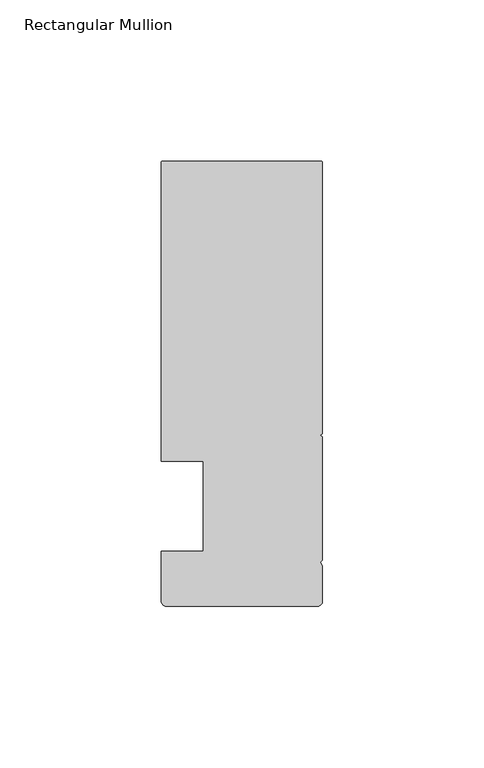
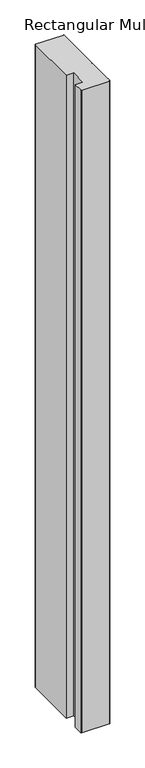
"""IFC4 building model written with IfcOpenShell, lengths in millimetres: member geometry, Rectangular Mullion."""

from ifc_helpers import new_model, si_unit, point, frame, frame_2d, origin, place, context, project, spatial, polyline, circle_curve, trimmed, segment, composite_curve, outline, extrude, source, transform, mapped, element, save


def rectangular_mullion_b0bd3f5d(model_context):
    return source(origin(), model_context, "Body", "SweptSolid", [
        extrude(outline(composite_curve([segment(trimmed(circle_curve(frame_2d((-49.5, 106.500001)), 0.5), [point((-50.0, 106.500001))], [point((-49.5, 107.000001))], False, "CARTESIAN"), True, "CONTINUOUS"), segment(polyline([(-49.5, 107.000001), (-0.5, 107.000001)]), True, "CONTINUOUS"), segment(trimmed(circle_curve(frame_2d((-0.5, 106.500001)), 0.5), [point((-0.5, 107.000001))], [point((0.0, 106.500001))], False, "CARTESIAN"), True, "CONTINUOUS"), segment(polyline([(0.0, 106.500001), (0.0, 22.4015984), (-0.695587, 22.000001), (0.0, 21.5984037), (0.0, -16.700633), (-0.6643165, -17.3649495), (0.0, -18.5155795), (0.0, -29.499999)]), True, "CONTINUOUS"), segment(trimmed(circle_curve(frame_2d((-1.5, -29.499999)), 1.5), [point((0.0, -29.499999))], [point((-1.5, -30.999999))], False, "CARTESIAN"), True, "CONTINUOUS"), segment(polyline([(-1.5, -30.999999), (-48.5, -30.999999)]), True, "CONTINUOUS"), segment(trimmed(circle_curve(frame_2d((-48.5, -29.499999)), 1.5), [point((-48.5, -30.999999))], [point((-50.0, -29.499999))], False, "CARTESIAN"), True, "CONTINUOUS"), segment(polyline([(-50.0, -29.499999), (-50.0, -14.0), (-36.9999999, -14.0), (-36.9999999, 14.0), (-50.0, 14.0), (-50.0, 106.500001)]), True, "CONTINUOUS")], self_intersect=False)), frame((0.0, 0.0, -1172.2222222), z_axis=(0.0, 0.0, 1.0), x_axis=(1.0, 0.0, 0.0)), (0.0, 0.0, 1.0), 1172.2222222),
    ])


if __name__ == "__main__":
    model = new_model("IFC4")
    model_context = context("Model", 3, world=origin())
    ifc_project = project(units=[si_unit("LENGTHUNIT", "METRE", prefix="MILLI")], contexts=[model_context])
    site = spatial("IfcSite", under=ifc_project)
    building = spatial("IfcBuilding", under=site)
    placement = place(None, origin())
    rectangular_mullion_shape = rectangular_mullion_b0bd3f5d(model_context)
    element("IfcMember", 1, ObjectType="Rectangular Mullion", at=placement, inside=building, context=model_context, shape_type="MappedRepresentation", body=[
        mapped(rectangular_mullion_shape, transform((0.0, 0.0, 0.0), x_axis=(1.0, 0.0, 0.0), y_axis=(0.0, 1.0, 0.0), z_axis=(0.0, 0.0, 1.0))),
    ])
    save(model, "model.ifc")
